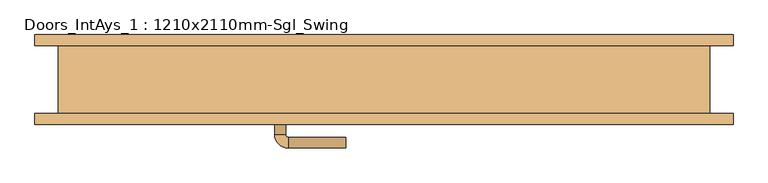
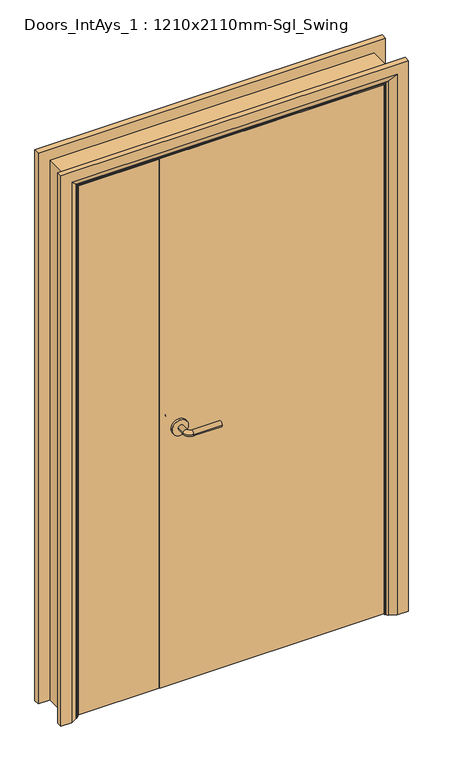
"""IFC4 building model written with IfcOpenShell, lengths in millimetres: door geometry, Doors_IntAys_1 : 1210x2110mm-Sgl_Swing."""

from ifc_helpers import new_model, si_unit, point, frame, frame_2d, origin, place, context, project, spatial, polyline, circle_curve, ellipse_curve, trimmed, segment, composite_curve, outline, extrude, faceted_brep, source, transform, mapped, element, save
from ifc_brep_helpers import plane_surface, cylinder_surface, revolved_surface, advanced_brep


def doors_intays_1_1210x2110mm_sgl_swing_ccc26fc5(model_context):
    return source(origin(), model_context, "Body", "SolidModel", [
        advanced_brep(
        [(38.5, -22.5, 1000.0), (58.5, -22.5, 1000.0), (38.5, 7.5, 1000.0), (58.5, 7.5, 1000.0), (63.5, 12.5, 1000.0), (63.5, 32.5, 1000.0), (168.5, 32.5, 1000.0), (168.5, 12.5, 1000.0)],
        [
            (0, 1, circle_curve(frame((48.5, -22.5, 1000.0), z_axis=(0.0, -1.0, 0.0), x_axis=(1.0, 0.0, 0.0)), 10.0)),
            (1, 0, circle_curve(frame((48.5, -22.5, 1000.0), z_axis=(0.0, -1.0, 0.0), x_axis=(1.0, 0.0, 0.0)), 10.0)),
            (0, 2),
            (2, 3, circle_curve(frame((48.5, 7.5, 1000.0), z_axis=(0.0, -1.0, 0.0), x_axis=(1.0, 0.0, 0.0)), 10.0)),
            (3, 1),
            (3, 2, circle_curve(frame((48.5, 7.5, 1000.0), z_axis=(0.0, -1.0, 0.0), x_axis=(1.0, 0.0, 0.0)), 10.0)),
            (4, 3, circle_curve(frame((63.5, 7.5, 1000.0), z_axis=(0.0, 0.0, 1.0), x_axis=(-1.0, 0.0, 0.0)), 5.0)),
            (2, 5, circle_curve(frame((63.5, 7.5, 1000.0), z_axis=(0.0, 0.0, -1.0), x_axis=(-1.0, 0.0, 0.0)), 25.0)),
            (5, 4, circle_curve(frame((63.5, 22.5, 1000.0), z_axis=(-1.0, 0.0, 0.0), x_axis=(0.0, -1.0, 0.0)), 10.0)),
            (4, 5, circle_curve(frame((63.5, 22.5, 1000.0), z_axis=(-1.0, 0.0, 0.0), x_axis=(0.0, -1.0, 0.0)), 10.0)),
            (6, 7, circle_curve(frame((168.5, 22.5, 1000.0), z_axis=(1.0, 0.0, 0.0), x_axis=(0.0, -1.0, 0.0)), 10.0)),
            (7, 6, circle_curve(frame((168.5, 22.5, 1000.0), z_axis=(1.0, 0.0, 0.0), x_axis=(0.0, -1.0, 0.0)), 10.0)),
            (5, 6),
            (7, 4),
        ],
        [
            plane_surface(frame((48.5, -22.5, 1000.0), z_axis=(0.0, -1.0, 0.0), x_axis=(0.0, 0.0, 1.0))),
            cylinder_surface(frame((48.5, -22.5, 1000.0), z_axis=(0.0, -1.0, 0.0), x_axis=(1.0, 0.0, 0.0)), 10.0),
            revolved_surface(trimmed(ellipse_curve(frame((48.5, 7.5, 1000.0), z_axis=(0.0, -1.0, 0.0), x_axis=(1.0, 0.0, 0.0)), 10.0, 10.0), [point((38.5, 7.5, 1000.0))], [point((58.5, 7.5, 1000.0))], True, "CARTESIAN"), (63.5, 7.5, 1000.0), (0.0, 0.0, -1.0)),
            revolved_surface(trimmed(ellipse_curve(frame((48.5, 7.5, 1000.0), z_axis=(0.0, -1.0, 0.0), x_axis=(1.0, 0.0, 0.0)), 10.0, 10.0), [point((58.5, 7.5, 1000.0))], [point((38.5, 7.5, 1000.0))], True, "CARTESIAN"), (63.5, 7.5, 1000.0), (0.0, 0.0, -1.0)),
            plane_surface(frame((168.5, 22.5, 1000.0), z_axis=(1.0, 0.0, 0.0), x_axis=(0.0, 0.0, 1.0))),
            cylinder_surface(frame((63.5, 22.5, 1000.0), z_axis=(-1.0, 0.0, 0.0), x_axis=(0.0, -1.0, 0.0)), 10.0),
        ],
        [
            (0, [[1, 2]]),
            (1, [[-1, 3, 4, 5]]),
            (1, [[-2, -5, 6, -3]]),
            (2, [[7, -4, 8, 9]]),
            (3, [[-8, -6, -7, 10]]),
            (4, [[11, 12]]),
            (5, [[-9, 13, -12, 14]]),
            (5, [[-10, -14, -11, -13]]),
        ],
    ),
        extrude(outline(composite_curve([segment(trimmed(circle_curve(frame_2d((1000.0, 46.0)), 30.0), [point((1000.0, 16.0))], [point((1000.0, 76.0))], False, "CARTESIAN"), True, "CONTINUOUS"), segment(trimmed(circle_curve(frame_2d((1000.0, 46.0)), 30.0), [point((1000.0, 76.0))], [point((1000.0, 16.0))], False, "CARTESIAN"), True, "CONTINUOUS")], self_intersect=False)), frame((0.0, -30.5, 0.0), z_axis=(0.0, 1.0, 0.0), x_axis=(0.0, 0.0, 1.0)), (0.0, 0.0, 1.0), 8.0),
        advanced_brep(
        [(38.5, -70.5, 1000.0), (58.5, -70.5, 1000.0), (58.5, -100.5, 1000.0), (38.5, -100.5, 1000.0), (63.5, -105.5, 1000.0), (63.5, -125.5, 1000.0), (168.5, -125.5, 1000.0), (168.5, -105.5, 1000.0)],
        [
            (0, 1, circle_curve(frame((48.5, -70.5, 1000.0), z_axis=(0.0, 1.0, 0.0), x_axis=(1.0, 0.0, 0.0)), 10.0)),
            (1, 0, circle_curve(frame((48.5, -70.5, 1000.0), z_axis=(0.0, 1.0, 0.0), x_axis=(1.0, 0.0, 0.0)), 10.0)),
            (1, 2),
            (2, 3, circle_curve(frame((48.5, -100.5, 1000.0), z_axis=(0.0, 1.0, 0.0), x_axis=(1.0, 0.0, 0.0)), 10.0)),
            (3, 0),
            (3, 2, circle_curve(frame((48.5, -100.5, 1000.0), z_axis=(0.0, 1.0, 0.0), x_axis=(1.0, 0.0, 0.0)), 10.0)),
            (4, 5, circle_curve(frame((63.5, -115.5, 1000.0), z_axis=(-1.0, 0.0, 0.0), x_axis=(0.0, 1.0, 0.0)), 10.0)),
            (5, 3, circle_curve(frame((63.5, -100.5, 1000.0), z_axis=(0.0, 0.0, -1.0), x_axis=(-1.0, 0.0, 0.0)), 25.0)),
            (2, 4, circle_curve(frame((63.5, -100.5, 1000.0), z_axis=(0.0, 0.0, 1.0), x_axis=(-1.0, 0.0, 0.0)), 5.0)),
            (5, 4, circle_curve(frame((63.5, -115.5, 1000.0), z_axis=(-1.0, 0.0, 0.0), x_axis=(0.0, 1.0, 0.0)), 10.0)),
            (6, 7, circle_curve(frame((168.5, -115.5, 1000.0), z_axis=(1.0, 0.0, 0.0), x_axis=(0.0, 1.0, 0.0)), 10.0)),
            (7, 6, circle_curve(frame((168.5, -115.5, 1000.0), z_axis=(1.0, 0.0, 0.0), x_axis=(0.0, 1.0, 0.0)), 10.0)),
            (4, 7),
            (6, 5),
        ],
        [
            plane_surface(frame((48.5, -70.5, 1000.0), z_axis=(0.0, 1.0, 0.0), x_axis=(0.0, 0.0, 1.0))),
            cylinder_surface(frame((48.5, -70.5, 1000.0), z_axis=(0.0, 1.0, 0.0), x_axis=(1.0, 0.0, 0.0)), 10.0),
            revolved_surface(trimmed(ellipse_curve(frame((48.5, -100.5, 1000.0), z_axis=(0.0, -1.0, 0.0), x_axis=(1.0, 0.0, 0.0)), 10.0, 10.0), [point((38.5, -100.5, 1000.0))], [point((58.5, -100.5, 1000.0))], True, "CARTESIAN"), (63.5, -100.5, 1000.0), (0.0, 0.0, -1.0)),
            revolved_surface(trimmed(ellipse_curve(frame((48.5, -100.5, 1000.0), z_axis=(0.0, -1.0, 0.0), x_axis=(1.0, 0.0, 0.0)), 10.0, 10.0), [point((58.5, -100.5, 1000.0))], [point((38.5, -100.5, 1000.0))], True, "CARTESIAN"), (63.5, -100.5, 1000.0), (0.0, 0.0, -1.0)),
            plane_surface(frame((168.5, -115.5, 1000.0), z_axis=(1.0, 0.0, 0.0), x_axis=(0.0, 0.0, 1.0))),
            cylinder_surface(frame((63.5, -115.5, 1000.0), z_axis=(-1.0, 0.0, 0.0), x_axis=(0.0, 1.0, 0.0)), 10.0),
        ],
        [
            (0, [[1, 2]]),
            (1, [[3, 4, 5, -2]]),
            (1, [[-5, 6, -3, -1]]),
            (2, [[7, 8, -4, 9]]),
            (3, [[10, -9, -6, -8]]),
            (4, [[11, 12]]),
            (5, [[13, -11, 14, -7]]),
            (5, [[-14, -12, -13, -10]]),
        ],
    ),
        extrude(outline(composite_curve([segment(trimmed(circle_curve(frame_2d((1000.0, 46.0)), 30.0), [point((1000.0, 16.0))], [point((1000.0, 76.0))], False, "CARTESIAN"), True, "CONTINUOUS"), segment(trimmed(circle_curve(frame_2d((1000.0, 46.0)), 30.0), [point((1000.0, 76.0))], [point((1000.0, 16.0))], False, "CARTESIAN"), True, "CONTINUOUS")], self_intersect=False)), frame((0.0, -70.5, 0.0), z_axis=(0.0, 1.0, 0.0), x_axis=(0.0, 0.0, 1.0)), (0.0, 0.0, 1.0), 8.0),
        advanced_brep(
        [(-401.0, 82.5, 0.0), (-361.0, 82.5, 0.0), (-335.0, 68.5, 0.0), (-331.0, 62.5, 0.0), (-401.0, 62.5, 0.0), (-401.0, 62.5, 2145.0), (-401.0, 82.5, 2145.0), (-331.0, 62.5, 2075.0), (809.0, 62.5, 2075.0), (809.0, 62.5, 0.0), (879.0, 62.5, 0.0), (879.0, 62.5, 2145.0), (-335.0, 68.5, 2079.0), (-361.0, 82.5, 2105.0), (879.0, 82.5, 2145.0), (879.0, 82.5, 0.0), (839.0, 82.5, 0.0), (839.0, 82.5, 2105.0), (813.0, 68.5, 0.0), (813.0, 68.5, 2079.0)],
        [
            (0, 1),
            (1, 2),
            (2, 3, circle_curve(frame((-339.0, 61.5, 0.0), z_axis=(0.0, 0.0, -1.0), x_axis=(-1.0, 0.0, 0.0)), 8.0622577)),
            (3, 4),
            (4, 0),
            (4, 5),
            (5, 6),
            (6, 0),
            (3, 7),
            (7, 8),
            (8, 9),
            (9, 10),
            (10, 11),
            (11, 5),
            (2, 12),
            (12, 7, ellipse_curve(frame((-339.0, 61.5, 2083.0), z_axis=(-0.7071067811865475, 0.0, -0.7071067811865475), x_axis=(0.7071067811865474, 0.0, -0.7071067811865476)), 11.4017543, 8.0622577)),
            (1, 13),
            (13, 12),
            (6, 14),
            (14, 15),
            (15, 16),
            (16, 17),
            (17, 13),
            (10, 15),
            (14, 11),
            (9, 18, circle_curve(frame((817.0, 61.5, 0.0), z_axis=(0.0, 0.0, -1.0), x_axis=(1.0, 0.0, 0.0)), 8.0622577)),
            (18, 16),
            (19, 18),
            (8, 19, ellipse_curve(frame((817.0, 61.5, 2083.0), z_axis=(0.7071067811865475, 0.0, -0.7071067811865475), x_axis=(0.7071067811865474, 0.0, 0.7071067811865476)), 11.4017543, 8.0622577)),
            (19, 17),
            (12, 19),
        ],
        [
            plane_surface(frame((-331.0, 62.5, 0.0), z_axis=(0.0, 0.0, -1.0), x_axis=(0.0, 1.0, 0.0))),
            plane_surface(frame((-401.0, 82.5, 0.0), z_axis=(-1.0, 0.0, 0.0), x_axis=(0.0, 0.0, 1.0))),
            plane_surface(frame((-401.0, 62.5, 0.0), z_axis=(0.0, -1.0, 0.0), x_axis=(0.0, 0.0, 1.0))),
            cylinder_surface(frame((-339.0, 61.5, 0.0), z_axis=(0.0, 0.0, -1.0), x_axis=(-1.0, 0.0, 0.0)), 8.0622577),
            plane_surface(frame((-335.0, 68.5, 0.0), z_axis=(0.4740998230350183, 0.8804710999221749, 0.0), x_axis=(0.0, 0.0, 1.0))),
            plane_surface(frame((-361.0, 82.5, 0.0), z_axis=(0.0, 1.0, 0.0), x_axis=(0.0, 0.0, 1.0))),
            plane_surface(frame((879.0, 82.5, 2145.0), z_axis=(1.0, 0.0, 0.0), x_axis=(0.0, 0.0, -1.0))),
            plane_surface(frame((809.0, 62.5, 0.0), z_axis=(0.0, 0.0, -1.0), x_axis=(0.0, 1.0, 0.0))),
            cylinder_surface(frame((817.0, 61.5, 2075.0), z_axis=(0.0, 0.0, 1.0), x_axis=(1.0, 0.0, 0.0)), 8.0622577),
            plane_surface(frame((813.0, 68.5, 2079.0), z_axis=(-0.4740998230350183, 0.8804710999221749, 0.0), x_axis=(0.0, 0.0, -1.0))),
            plane_surface(frame((-401.0, 82.5, 2145.0), z_axis=(0.0, 0.0, 1.0), x_axis=(1.0, 0.0, 0.0))),
            cylinder_surface(frame((-331.0, 61.5, 2083.0), z_axis=(-1.0, 0.0, 0.0), x_axis=(0.0, 0.0, 1.0)), 8.0622577),
            plane_surface(frame((-335.0, 68.5, 2079.0), z_axis=(0.0, 0.8804710999221749, -0.4740998230350183), x_axis=(1.0, 0.0, 0.0))),
        ],
        [
            (0, [[1, 2, 3, 4, 5]]),
            (1, [[6, 7, 8, -5]]),
            (2, [[9, 10, 11, 12, 13, 14, -6, -4]]),
            (3, [[15, 16, -9, -3]]),
            (4, [[17, 18, -15, -2]]),
            (5, [[-8, 19, 20, 21, 22, 23, -17, -1]]),
            (6, [[-13, 24, -20, 25]]),
            (7, [[-24, -12, 26, 27, -21]]),
            (8, [[28, -26, -11, 29]]),
            (9, [[-22, -27, -28, 30]]),
            (10, [[-14, -25, -19, -7]]),
            (11, [[31, -29, -10, -16]]),
            (12, [[-23, -30, -31, -18]]),
        ],
    ),
        advanced_brep(
        [(879.0, -82.5, 0.0), (839.0, -82.5, 0.0), (813.0, -68.5, 0.0), (809.0, -62.5, 0.0), (879.0, -62.5, 0.0), (879.0, -62.5, 2145.0), (879.0, -82.5, 2145.0), (809.0, -62.5, 2075.0), (-331.0, -62.5, 2075.0), (-331.0, -62.5, 0.0), (-401.0, -62.5, 0.0), (-401.0, -62.5, 2145.0), (813.0, -68.5, 2079.0), (839.0, -82.5, 2105.0), (-401.0, -82.5, 2145.0), (-401.0, -82.5, 0.0), (-361.0, -82.5, 0.0), (-361.0, -82.5, 2105.0), (-335.0, -68.5, 0.0), (-335.0, -68.5, 2079.0)],
        [
            (0, 1),
            (1, 2),
            (2, 3, circle_curve(frame((817.0, -61.5, 0.0), z_axis=(0.0, 0.0, -1.0), x_axis=(1.0, 0.0, 0.0)), 8.0622577)),
            (3, 4),
            (4, 0),
            (4, 5),
            (5, 6),
            (6, 0),
            (3, 7),
            (7, 8),
            (8, 9),
            (9, 10),
            (10, 11),
            (11, 5),
            (2, 12),
            (12, 7, ellipse_curve(frame((817.0, -61.5, 2083.0), z_axis=(0.7071067811865475, 0.0, -0.7071067811865475), x_axis=(-0.7071067811865474, 0.0, -0.7071067811865476)), 11.4017543, 8.0622577)),
            (1, 13),
            (13, 12),
            (6, 14),
            (14, 15),
            (15, 16),
            (16, 17),
            (17, 13),
            (10, 15),
            (14, 11),
            (9, 18, circle_curve(frame((-339.0, -61.5, 0.0), z_axis=(0.0, 0.0, -1.0), x_axis=(-1.0, 0.0, 0.0)), 8.0622577)),
            (18, 16),
            (19, 18),
            (8, 19, ellipse_curve(frame((-339.0, -61.5, 2083.0), z_axis=(-0.7071067811865475, 0.0, -0.7071067811865475), x_axis=(-0.7071067811865474, 0.0, 0.7071067811865476)), 11.4017543, 8.0622577)),
            (19, 17),
            (12, 19),
        ],
        [
            plane_surface(frame((809.0, -62.5, 0.0), z_axis=(0.0, 0.0, -1.0), x_axis=(0.0, 1.0, 0.0))),
            plane_surface(frame((879.0, -82.5, 0.0), z_axis=(1.0, 0.0, 0.0), x_axis=(0.0, 0.0, 1.0))),
            plane_surface(frame((879.0, -62.5, 0.0), z_axis=(0.0, 1.0, 0.0), x_axis=(0.0, 0.0, 1.0))),
            cylinder_surface(frame((817.0, -61.5, 0.0), z_axis=(0.0, 0.0, -1.0), x_axis=(1.0, 0.0, 0.0)), 8.0622577),
            plane_surface(frame((813.0, -68.5, 0.0), z_axis=(-0.4740998230350126, -0.8804710999221779, 0.0), x_axis=(0.0, 0.0, 1.0))),
            plane_surface(frame((839.0, -82.5, 0.0), z_axis=(0.0, -1.0, 0.0), x_axis=(0.0, 0.0, 1.0))),
            plane_surface(frame((-401.0, -82.5, 2145.0), z_axis=(-1.0, 0.0, 0.0), x_axis=(0.0, 0.0, -1.0))),
            plane_surface(frame((-331.0, -62.5, 0.0), z_axis=(0.0, 0.0, -1.0), x_axis=(0.0, 1.0, 0.0))),
            cylinder_surface(frame((-339.0, -61.5, 2075.0), z_axis=(0.0, 0.0, 1.0), x_axis=(-1.0, 0.0, 0.0)), 8.0622577),
            plane_surface(frame((-335.0, -68.5, 2079.0), z_axis=(0.4740998230350183, -0.8804710999221749, 0.0), x_axis=(0.0, 0.0, -1.0))),
            plane_surface(frame((879.0, -82.5, 2145.0), z_axis=(0.0, 0.0, 1.0), x_axis=(-1.0, 0.0, 0.0))),
            cylinder_surface(frame((809.0, -61.5, 2083.0), z_axis=(1.0, 0.0, 0.0), x_axis=(0.0, 0.0, 1.0)), 8.0622577),
            plane_surface(frame((813.0, -68.5, 2079.0), z_axis=(0.0, -0.8804710999221763, -0.4740998230350154), x_axis=(-1.0, 0.0, 0.0))),
        ],
        [
            (0, [[1, 2, 3, 4, 5]]),
            (1, [[6, 7, 8, -5]]),
            (2, [[9, 10, 11, 12, 13, 14, -6, -4]]),
            (3, [[15, 16, -9, -3]]),
            (4, [[17, 18, -15, -2]]),
            (5, [[-8, 19, 20, 21, 22, 23, -17, -1]]),
            (6, [[-13, 24, -20, 25]]),
            (7, [[-24, -12, 26, 27, -21]]),
            (8, [[28, -26, -11, 29]]),
            (9, [[-22, -27, -28, 30]]),
            (10, [[-14, -25, -19, -7]]),
            (11, [[31, -29, -10, -16]]),
            (12, [[-23, -30, -31, -18]]),
        ],
    ),
        faceted_brep([(-307.0, -27.5, 0.0), (-326.0, -27.5, 0.0), (-326.0, 4.5, 0.0), (-307.0, 4.5, 0.0), (-307.0, 4.5, 2051.0), (-307.0, -27.5, 2051.0), (-326.0, 4.5, 2070.0), (-326.0, -27.5, 2070.0), (785.0, -27.5, 0.0), (785.0, 4.5, 0.0), (804.0, 4.5, 0.0), (804.0, -27.5, 0.0), (785.0, -27.5, 2051.0), (804.0, -27.5, 2070.0), (804.0, 4.5, 2070.0), (785.0, 4.5, 2051.0)], [[[0, 1, 2, 3]], [[3, 4, 5, 0]], [[2, 6, 4, 3]], [[1, 7, 6, 2]], [[0, 5, 7, 1]], [[8, 9, 10, 11]], [[12, 8, 11, 13]], [[13, 11, 10, 14]], [[14, 10, 9, 15]], [[15, 9, 8, 12]], [[4, 15, 12, 5]], [[6, 14, 15, 4]], [[7, 13, 14, 6]], [[5, 12, 13, 7]]]),
        extrude(outline(polyline([(2102.0, -358.0), (0.0, -358.0), (0.0, -326.0), (2070.0, -326.0), (2070.0, 804.0), (0.0, 804.0), (0.0, 836.0), (2102.0, 836.0), (2102.0, -358.0)])), frame((0.0, -62.5, 0.0), z_axis=(0.0, 1.0, 0.0), x_axis=(0.0, 0.0, 1.0)), (0.0, 0.0, 1.0), 125.0),
        extrude(outline(polyline([(-28.0, -30.5), (-28.0, -62.5), (-323.0, -62.5), (-323.0, -30.5), (-28.0, -30.5)])), frame((0.0, 0.0, 5.753223), z_axis=(0.0, 0.0, 1.0), x_axis=(1.0, 0.0, 0.0)), (0.0, 0.0, 1.0), 2061.246777),
        extrude(outline(polyline([(801.0, -30.5), (801.0, -62.5), (-25.0, -62.5), (-25.0, -30.5), (801.0, -30.5)])), frame((0.0, 0.0, 5.753223), z_axis=(0.0, 0.0, 1.0), x_axis=(1.0, 0.0, 0.0)), (0.0, 0.0, 1.0), 2061.246777),
    ])


if __name__ == "__main__":
    model = new_model("IFC4")
    model_context = context("Model", 3, world=origin())
    ifc_project = project(units=[si_unit("LENGTHUNIT", "METRE", prefix="MILLI")], contexts=[model_context])
    site = spatial("IfcSite", under=ifc_project)
    building = spatial("IfcBuilding", under=site)
    placement = place(None, origin())
    doors_intays_1_1210x2110mm_sgl_swing_shape = doors_intays_1_1210x2110mm_sgl_swing_ccc26fc5(model_context)
    element("IfcDoor", 1, ObjectType="Doors_IntAys_1 : 1210x2110mm-Sgl_Swing", at=placement, inside=building, context=model_context, shape_type="MappedRepresentation", body=[
        mapped(doors_intays_1_1210x2110mm_sgl_swing_shape, transform((0.0, 0.0, 0.0), x_axis=(1.0, 0.0, 0.0), y_axis=(0.0, 1.0, 0.0), z_axis=(0.0, 0.0, 1.0))),
    ])
    save(model, "model.ifc")
